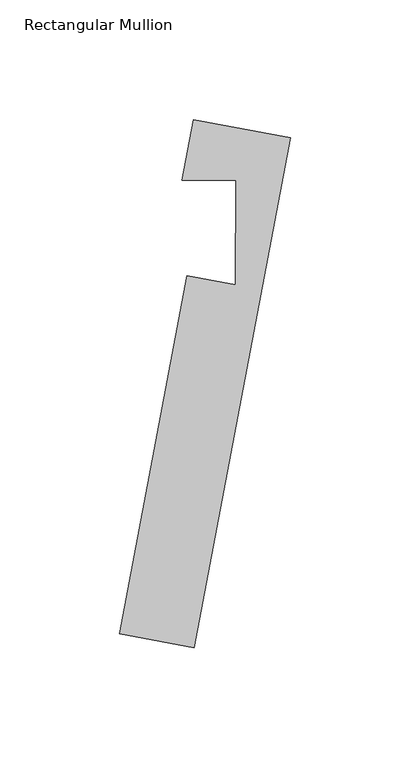
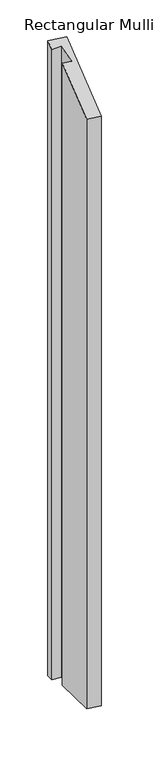
"""IFC4 building model written with IfcOpenShell, lengths in millimetres: member geometry, Rectangular Mullion."""

from ifc_helpers import new_model, si_unit, origin, place, context, project, spatial, faceted_brep, source, transform, mapped, element, save


def rectangular_mullion_a300b296(model_context):
    return source(origin(), model_context, "Body", "Brep", [
        faceted_brep([(-60.3392001, -147.8893316, -41.9089539), (-31.9652028, 1.8460225, -1.1075246), (-31.9652028, 1.8460225, -1576.6524507), (-60.3392001, -147.8893316, -1535.8169937), (-29.1443347, -153.8005811, -41.9091641), (-29.1443347, -153.8005811, -1535.8167834), (11.2544177, 59.391851, 16.1837024), (11.2544177, 59.391851, -1593.9580982), (-29.2983821, 67.0763758, 16.1839757), (-29.2983821, 67.0763758, -1593.9583717), (-34.1160765, 41.6524226, 9.2561954), (-34.1160765, 41.6524226, -1587.0248139), (-11.5476328, 41.5796702, 10.3618468), (-11.5476328, 41.5796702, -1588.1313873), (-11.688106, -1.9963719, -1.1076613), (-11.688106, -1.9963719, -1576.6523139)], [[[0, 1, 2, 3]], [[4, 0, 3, 5]], [[6, 4, 5, 7]], [[8, 6, 7, 9]], [[10, 8, 9, 11]], [[12, 10, 11, 13]], [[14, 12, 13, 15]], [[1, 14, 15, 2]], [[1, 0, 4, 6, 8, 10, 12, 14]], [[2, 15, 13, 11, 9, 7, 5, 3]]]),
    ])


if __name__ == "__main__":
    model = new_model("IFC4")
    model_context = context("Model", 3, world=origin())
    ifc_project = project(units=[si_unit("LENGTHUNIT", "METRE", prefix="MILLI")], contexts=[model_context])
    site = spatial("IfcSite", under=ifc_project)
    building = spatial("IfcBuilding", under=site)
    placement = place(None, origin())
    rectangular_mullion_shape = rectangular_mullion_a300b296(model_context)
    element("IfcMember", 1, ObjectType="Rectangular Mullion", at=placement, inside=building, context=model_context, shape_type="MappedRepresentation", body=[
        mapped(rectangular_mullion_shape, transform((0.0, 0.0, 0.0), x_axis=(1.0, 0.0, 0.0), y_axis=(0.0, 1.0, 0.0), z_axis=(0.0, 0.0, 1.0))),
    ])
    save(model, "model.ifc")
